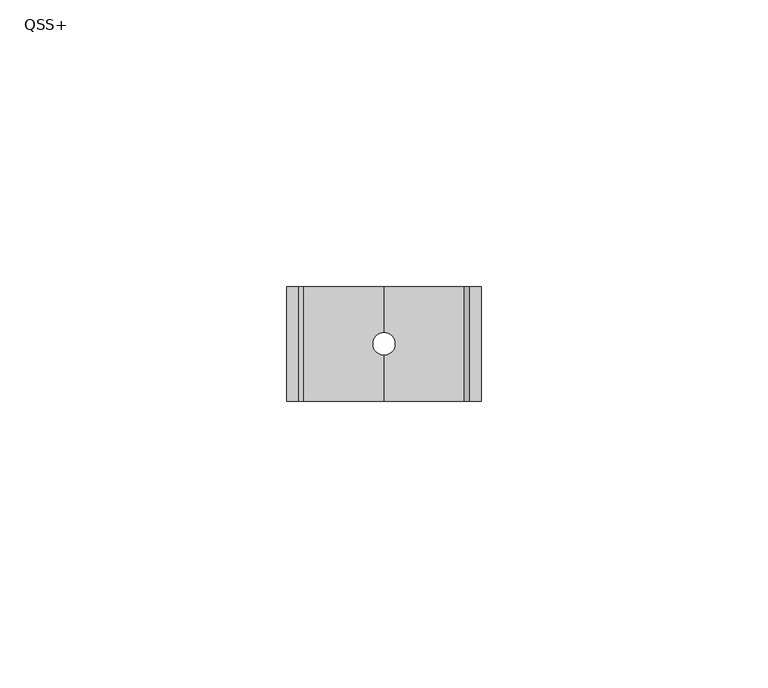
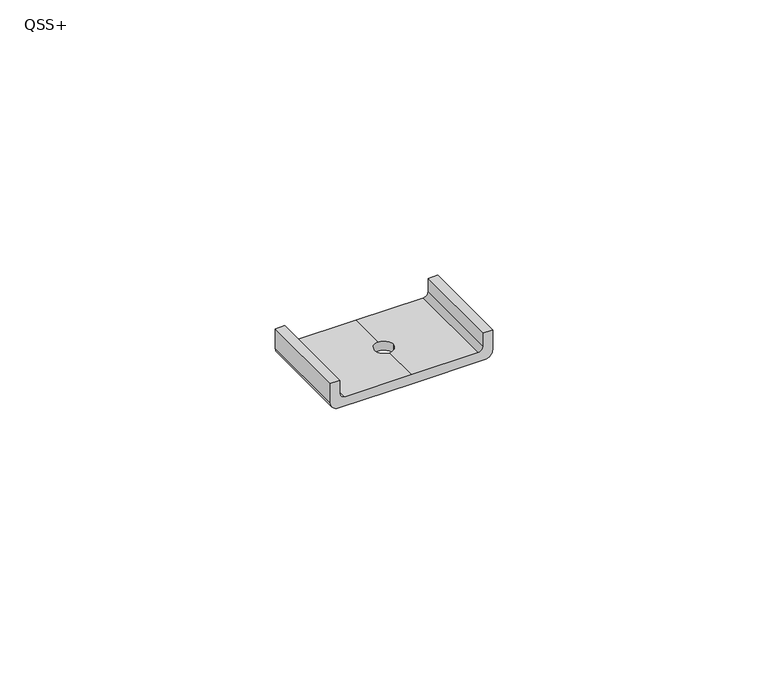
"""IFC4 building model written with IfcOpenShell, lengths in millimetres: proxy geometry, QSS+."""

from ifc_helpers import new_model, si_unit, frame, origin, origin_with_axes, place, context, project, spatial, polyline, circle_curve, source, transform, mapped, element, save
from ifc_brep_helpers import plane_surface, cylinder_surface, revolved_surface, advanced_brep


def qss_959ca6e4(model_context):
    return source(origin(), model_context, "Body", "AdvancedBrep", [
        advanced_brep(
        [(15.3315101, -10.0, 0.0), (17.0, -10.0, 1.6684899), (17.0, -10.0, 6.0), (15.0, -10.0, 6.0), (15.0, -10.0, 3.0376323), (13.9623677, -10.0, 2.0), (0.0, -10.0, 2.0), (-13.9623677, -10.0, 2.0), (-15.0, -10.0, 3.0376323), (-15.0, -10.0, 6.0), (-17.0, -10.0, 6.0), (-17.0, -10.0, 1.6684899), (-15.3315101, -10.0, 0.0), (0.0, -10.0, 0.0), (15.3315101, 10.0, 0.0), (0.0, 10.0, 0.0), (-15.3315101, 10.0, 0.0), (-17.0, 10.0, 1.6684899), (-17.0, 10.0, 6.0), (-15.0, 10.0, 6.0), (-15.0, 10.0, 3.0376323), (-13.9623677, 10.0, 2.0), (0.0, 10.0, 2.0), (13.9623677, 10.0, 2.0), (15.0, 10.0, 3.0376323), (15.0, 10.0, 6.0), (17.0, 10.0, 6.0), (17.0, 10.0, 1.6684899), (0.0, 2.0, 2.0), (2.0, 0.0, 2.0), (0.0, -2.0, 2.0), (0.0, -2.0, 0.0), (2.0, 0.0, 0.0), (0.0, 2.0, 0.0), (-2.0, 0.0, 0.0), (-2.0, 0.0, 2.0)],
        [
            (0, 1, circle_curve(frame((15.3315101, -10.0, 1.6684899), z_axis=(0.0, -1.0, 0.0), x_axis=(1.0, 0.0, 0.0)), 1.6684899)),
            (1, 2),
            (2, 3),
            (3, 4),
            (4, 5, circle_curve(frame((13.9623677, -10.0, 3.0376323), z_axis=(0.0, 1.0, 0.0), x_axis=(1.0, 0.0, 0.0)), 1.0376323)),
            (5, 6),
            (6, 7),
            (7, 8, circle_curve(frame((-13.9623677, -10.0, 3.0376323), z_axis=(0.0, 1.0, 0.0), x_axis=(-1.0, 0.0, 0.0)), 1.0376323)),
            (8, 9),
            (9, 10),
            (10, 11),
            (11, 12, circle_curve(frame((-15.3315101, -10.0, 1.6684899), z_axis=(0.0, -1.0, 0.0), x_axis=(-1.0, 0.0, 0.0)), 1.6684899)),
            (12, 13),
            (13, 0),
            (14, 15),
            (15, 16),
            (16, 17, circle_curve(frame((-15.3315101, 10.0, 1.6684899), z_axis=(0.0, 1.0, 0.0), x_axis=(-1.0, 0.0, 0.0)), 1.6684899)),
            (17, 18),
            (18, 19),
            (19, 20),
            (20, 21, circle_curve(frame((-13.9623677, 10.0, 3.0376323), z_axis=(0.0, -1.0, 0.0), x_axis=(-1.0, 0.0, 0.0)), 1.0376323)),
            (21, 22),
            (22, 23),
            (23, 24, circle_curve(frame((13.9623677, 10.0, 3.0376323), z_axis=(0.0, -1.0, 0.0), x_axis=(1.0, 0.0, 0.0)), 1.0376323)),
            (24, 25),
            (25, 26),
            (26, 27),
            (27, 14, circle_curve(frame((15.3315101, 10.0, 1.6684899), z_axis=(0.0, 1.0, 0.0), x_axis=(1.0, 0.0, 0.0)), 1.6684899)),
            (0, 14),
            (27, 1),
            (26, 2),
            (25, 3),
            (24, 4),
            (23, 5),
            (22, 28),
            (28, 29, circle_curve(frame((0.0, 0.0, 2.0), z_axis=(0.0, 0.0, -1.0), x_axis=(1.0, 0.0, 0.0)), 2.0)),
            (29, 30, circle_curve(frame((0.0, 0.0, 2.0), z_axis=(0.0, 0.0, -1.0), x_axis=(1.0, 0.0, 0.0)), 2.0)),
            (30, 6),
            (13, 31),
            (31, 32, circle_curve(origin_with_axes(), 2.0)),
            (32, 33, circle_curve(origin_with_axes(), 2.0)),
            (33, 15),
            (34, 35),
            (35, 30, circle_curve(frame((0.0, 0.0, 2.0), z_axis=(0.0, 0.0, 1.0), x_axis=(1.0, 0.0, 0.0)), 2.0)),
            (29, 32),
            (31, 34, circle_curve(frame((0.0, 0.0, 0.0), z_axis=(0.0, 0.0, -1.0), x_axis=(1.0, 0.0, 0.0)), 2.0)),
            (34, 33, circle_curve(frame((0.0, 0.0, 0.0), z_axis=(0.0, 0.0, -1.0), x_axis=(1.0, 0.0, 0.0)), 2.0)),
            (28, 35, circle_curve(frame((0.0, 0.0, 2.0), z_axis=(0.0, 0.0, 1.0), x_axis=(1.0, 0.0, 0.0)), 2.0)),
            (21, 7),
            (20, 8),
            (19, 9),
            (18, 10),
            (17, 11),
            (16, 12),
        ],
        [
            plane_surface(frame((17.0, -10.0, 1.6684899), z_axis=(0.0, -1.0, 0.0), x_axis=(0.0, 0.0, 1.0))),
            plane_surface(frame((17.0, 10.0, 1.6684899), z_axis=(0.0, 1.0, 0.0), x_axis=(0.0, 0.0, -1.0))),
            cylinder_surface(frame((15.3315101, 10.0, 1.6684899), z_axis=(0.0, -1.0, 0.0), x_axis=(1.0, 0.0, 0.0)), 1.6684899),
            plane_surface(frame((17.0, -10.0, 1.6684899), z_axis=(1.0, 0.0, 0.0), x_axis=(0.0, 1.0, 0.0))),
            plane_surface(frame((17.0, -10.0, 6.0), z_axis=(0.0, 0.0, 1.0), x_axis=(0.0, 1.0, 0.0))),
            plane_surface(frame((15.0, -10.0, 6.0), z_axis=(-1.0, 0.0, 0.0), x_axis=(0.0, 1.0, 0.0))),
            revolved_surface(polyline([(15.0, 10.0, 3.0376323), (15.0, -10.0, 3.0376323)]), (13.9623677, 10.0, 3.0376323), (0.0, 1.0, 0.0)),
            plane_surface(frame((13.9623677, -10.0, 2.0), z_axis=(0.0, 0.0, 1.0), x_axis=(0.0, 1.0, 0.0))),
            plane_surface(frame((0.0, -10.0, 0.0), z_axis=(0.0, 0.0, -1.0), x_axis=(0.0, 1.0, 0.0))),
            revolved_surface(polyline([(2.0, 0.0, 2.0), (2.0, 0.0, 0.0)]), (0.0, 0.0, -1.1296974), (0.0, 0.0, 1.0)),
            plane_surface(frame((0.0, -10.0, 2.0), z_axis=(0.0, 0.0, 1.0), x_axis=(0.0, 1.0, 0.0))),
            revolved_surface(polyline([(-15.0, 10.0, 3.0376323), (-15.0, -10.0, 3.0376323)]), (-13.9623677, 10.0, 3.0376323), (0.0, 1.0, 0.0)),
            plane_surface(frame((-15.0, -10.0, 3.0376323), z_axis=(1.0, 0.0, 0.0), x_axis=(0.0, 1.0, 0.0))),
            plane_surface(frame((-15.0, -10.0, 6.0), z_axis=(0.0, 0.0, 1.0), x_axis=(0.0, 1.0, 0.0))),
            plane_surface(frame((-17.0, -10.0, 6.0), z_axis=(-1.0, 0.0, 0.0), x_axis=(0.0, 1.0, 0.0))),
            cylinder_surface(frame((-15.3315101, 10.0, 1.6684899), z_axis=(0.0, -1.0, 0.0), x_axis=(-1.0, 0.0, 0.0)), 1.6684899),
            plane_surface(frame((-15.3315101, -10.0, 0.0), z_axis=(0.0, 0.0, -1.0), x_axis=(0.0, 1.0, 0.0))),
        ],
        [
            (0, [[1, 2, 3, 4, 5, 6, 7, 8, 9, 10, 11, 12, 13, 14]]),
            (1, [[15, 16, 17, 18, 19, 20, 21, 22, 23, 24, 25, 26, 27, 28]]),
            (2, [[-1, 29, -28, 30]]),
            (3, [[-2, -30, -27, 31]]),
            (4, [[-3, -31, -26, 32]]),
            (5, [[-4, -32, -25, 33]]),
            (6, [[-5, -33, -24, 34]]),
            (7, [[-6, -34, -23, 35, 36, 37, 38]]),
            (8, [[-14, 39, 40, 41, 42, -15, -29]]),
            (9, [[43, 44, -37, 45, -40, 46]]),
            (9, [[-43, 47, -41, -45, -36, 48]]),
            (10, [[-7, -38, -44, -48, -35, -22, 49]]),
            (11, [[-8, -49, -21, 50]]),
            (12, [[-9, -50, -20, 51]]),
            (13, [[-10, -51, -19, 52]]),
            (14, [[-11, -52, -18, 53]]),
            (15, [[-12, -53, -17, 54]]),
            (16, [[-13, -54, -16, -42, -47, -46, -39]]),
        ],
    ),
    ])


if __name__ == "__main__":
    model = new_model("IFC4")
    model_context = context("Model", 3, world=origin())
    ifc_project = project(units=[si_unit("LENGTHUNIT", "METRE", prefix="MILLI")], contexts=[model_context])
    site = spatial("IfcSite", under=ifc_project)
    building = spatial("IfcBuilding", under=site)
    placement = place(None, origin())
    qss_shape = qss_959ca6e4(model_context)
    element("IfcBuildingElementProxy", 1, Name="QSS+", ObjectType="QSS+", at=placement, inside=building, context=model_context, shape_type="MappedRepresentation", body=[
        mapped(qss_shape, transform((0.0, 0.0, 0.0), x_axis=(1.0, 0.0, 0.0), y_axis=(0.0, 1.0, 0.0), z_axis=(0.0, 0.0, 1.0))),
    ])
    save(model, "model.ifc")
